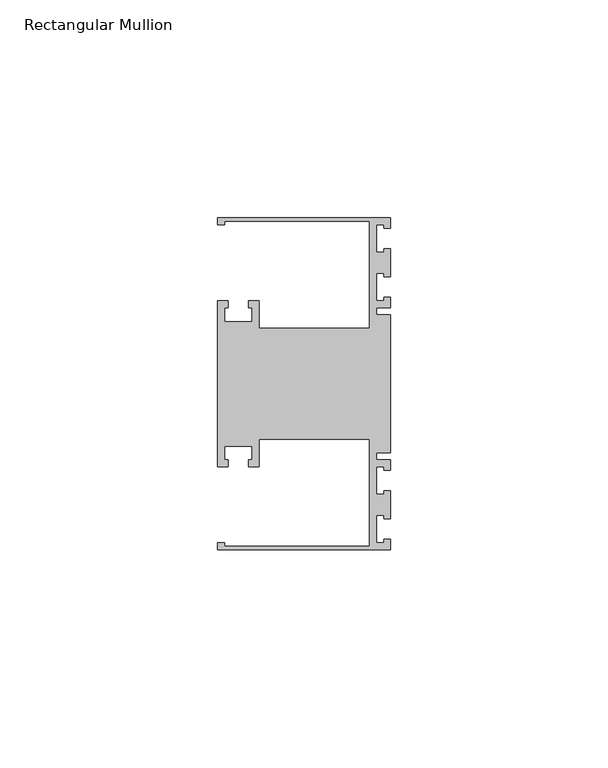
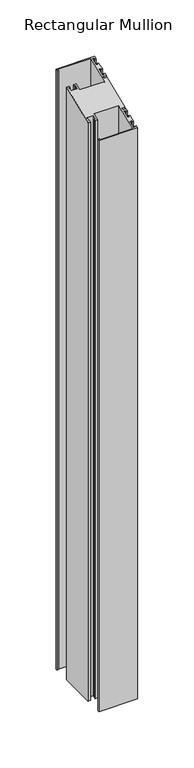
"""IFC4 building model written with IfcOpenShell, lengths in millimetres: member geometry, Rectangular Mullion."""

from ifc_helpers import new_model, si_unit, origin, place, context, project, spatial, faceted_brep, source, transform, mapped, element, save


def rectangular_mullion_6e3f08bd(model_context):
    return source(origin(), model_context, "Body", "Brep", [
        faceted_brep([(0.0, -38.1, -635.0), (-39.6875, -38.1, -635.0), (-39.6875, -36.5125, -635.0), (-38.1, -36.5125, -635.0), (-38.1, -37.30625, -635.0), (-4.8585733, -37.30625, -635.0), (-4.8585733, -12.6999969, -635.0), (-30.1625, -12.6999969, -635.0), (-30.1625, -19.05, -635.0), (-32.54375, -19.05, -635.0), (-32.54375, -17.4625, -635.0), (-31.75, -17.4625, -635.0), (-31.75, -14.2875, -635.0), (-38.1, -14.2875, -635.0), (-38.1, -17.4625, -635.0), (-37.30625, -17.4625, -635.0), (-37.30625, -19.05, -635.0), (-39.6875, -19.05, -635.0), (-39.6875, 19.05, -635.0), (-37.30625, 19.05, -635.0), (-37.30625, 17.4625, -635.0), (-38.1, 17.4625, -635.0), (-38.1, 14.2875, -635.0), (-31.75, 14.2875, -635.0), (-31.75, 17.4625, -635.0), (-32.54375, 17.4625, -635.0), (-32.54375, 19.05, -635.0), (-30.1625, 19.05, -635.0), (-30.1625, 12.6999969, -635.0), (-4.8585733, 12.6999969, -635.0), (-4.8585733, 37.30625, -635.0), (-38.1, 37.30625, -635.0), (-38.1, 36.5125, -635.0), (-39.6875, 36.5125, -635.0), (-39.6875, 38.1, -635.0), (0.0, 38.1, -635.0), (0.0, 35.71875, -635.0), (-1.4999946, 35.71875, -635.0), (-1.4999946, 36.5125, -635.0), (-3.175, 36.5125, -635.0), (-3.175, 30.1625, -635.0), (-1.4999946, 30.1625, -635.0), (-1.4999946, 30.95625, -635.0), (0.0, 30.95625, -635.0), (0.0, 24.60625, -635.0), (-1.4999946, 24.60625, -635.0), (-1.4999946, 25.4, -635.0), (-3.175, 25.4, -635.0), (-3.175, 19.05, -635.0), (-1.4999946, 19.05, -635.0), (-1.4999946, 19.84375, -635.0), (0.0, 19.84375, -635.0), (0.0, 17.4625, -635.0), (-3.175, 17.4625, -635.0), (-3.175, 15.875, -635.0), (0.0, 15.875, -635.0), (0.0, -15.875, -635.0), (-3.175, -15.875, -635.0), (-3.175, -17.4625, -635.0), (0.0, -17.4625, -635.0), (0.0, -19.84375, -635.0), (-1.4999946, -19.84375, -635.0), (-1.4999946, -19.05, -635.0), (-3.175, -19.05, -635.0), (-3.175, -25.4, -635.0), (-1.4999946, -25.4, -635.0), (-1.4999946, -24.60625, -635.0), (0.0, -24.60625, -635.0), (0.0, -30.95625, -635.0), (-1.4999946, -30.95625, -635.0), (-1.4999946, -30.1625, -635.0), (-3.175, -30.1625, -635.0), (-3.175, -36.5125, -635.0), (-1.4999946, -36.5125, -635.0), (-1.4999946, -35.71875, -635.0), (0.0, -35.71875, -635.0), (0.0, -35.71875, -14.7951907), (0.0, -38.1, -15.7815367), (-1.4999946, -35.71875, -14.7951907), (-1.4999946, -36.5125, -15.1239727), (-3.175, -36.5125, -15.1239727), (-3.175, -30.1625, -12.4937166), (-1.4999946, -30.1625, -12.4937166), (-1.4999946, -30.95625, -12.8224986), (0.0, -30.95625, -12.8224986), (0.0, -24.60625, -10.1922425), (-1.4999946, -24.60625, -10.1922425), (-1.4999946, -25.4, -10.5210245), (-3.175, -25.4, -10.5210245), (-3.175, -19.05, -7.8907684), (-1.4999946, -19.05, -7.8907684), (-1.4999946, -19.84375, -8.2195504), (0.0, -19.84375, -8.2195504), (0.0, -17.4625, -7.2332043), (-3.175, -17.4625, -7.2332043), (-3.175, -15.875, -6.5756403), (0.0, -15.875, -6.5756403), (0.0, 15.875, 6.5756403), (-3.175, 15.875, 6.5756403), (-3.175, 17.4625, 7.2332043), (0.0, 17.4625, 7.2332043), (0.0, 19.84375, 8.2195504), (-1.4999946, 19.84375, 8.2195504), (-1.4999946, 19.05, 7.8907684), (-3.175, 19.05, 7.8907684), (-3.175, 25.4, 10.5210245), (-1.4999946, 25.4, 10.5210245), (-1.4999946, 24.60625, 10.1922425), (0.0, 24.60625, 10.1922425), (0.0, 30.95625, 12.8224986), (-1.4999946, 30.95625, 12.8224986), (-1.4999946, 30.1625, 12.4937166), (-3.175, 30.1625, 12.4937166), (-3.175, 36.5125, 15.1239727), (-1.4999946, 36.5125, 15.1239727), (-1.4999946, 35.71875, 14.7951907), (0.0, 35.71875, 14.7951907), (0.0, 38.1, 15.7815367), (-39.6875, 38.1, 15.7815367), (-39.6875, 36.5125, 15.1239727), (-38.1, 36.5125, 15.1239727), (-38.1, 37.30625, 15.4527547), (-4.8585733, 37.30625, 15.4527547), (-4.8585733, 12.6999969, 5.260511), (-30.1625, 12.6999969, 5.260511), (-30.1625, 19.05, 7.8907684), (-32.54375, 19.05, 7.8907684), (-32.54375, 17.4625, 7.2332043), (-31.75, 17.4625, 7.2332043), (-31.75, 14.2875, 5.9180763), (-38.1, 14.2875, 5.9180763), (-38.1, 17.4625, 7.2332043), (-37.30625, 17.4625, 7.2332043), (-37.30625, 19.05, 7.8907684), (-39.6875, 19.05, 7.8907684), (-39.6875, -19.05, -7.8907684), (-37.30625, -19.05, -7.8907684), (-37.30625, -17.4625, -7.2332043), (-38.1, -17.4625, -7.2332043), (-38.1, -14.2875, -5.9180763), (-31.75, -14.2875, -5.9180763), (-31.75, -17.4625, -7.2332043), (-32.54375, -17.4625, -7.2332043), (-32.54375, -19.05, -7.8907684), (-30.1625, -19.05, -7.8907684), (-30.1625, -12.6999969, -5.260511), (-4.8585733, -12.6999969, -5.260511), (-4.8585733, -37.30625, -15.4527547), (-38.1, -37.30625, -15.4527547), (-38.1, -36.5125, -15.1239727), (-39.6875, -36.5125, -15.1239727), (-39.6875, -38.1, -15.7815367)], [[[0, 1, 2, 3, 4, 5, 6, 7, 8, 9, 10, 11, 12, 13, 14, 15, 16, 17, 18, 19, 20, 21, 22, 23, 24, 25, 26, 27, 28, 29, 30, 31, 32, 33, 34, 35, 36, 37, 38, 39, 40, 41, 42, 43, 44, 45, 46, 47, 48, 49, 50, 51, 52, 53, 54, 55, 56, 57, 58, 59, 60, 61, 62, 63, 64, 65, 66, 67, 68, 69, 70, 71, 72, 73, 74, 75]], [[76, 77, 0, 75]], [[78, 76, 75, 74]], [[79, 78, 74, 73]], [[80, 79, 73, 72]], [[81, 80, 72, 71]], [[82, 81, 71, 70]], [[83, 82, 70, 69]], [[84, 83, 69, 68]], [[85, 84, 68, 67]], [[86, 85, 67, 66]], [[87, 86, 66, 65]], [[88, 87, 65, 64]], [[89, 88, 64, 63]], [[90, 89, 63, 62]], [[91, 90, 62, 61]], [[92, 91, 61, 60]], [[93, 92, 60, 59]], [[94, 93, 59, 58]], [[95, 94, 58, 57]], [[96, 95, 57, 56]], [[97, 96, 56, 55]], [[98, 97, 55, 54]], [[99, 98, 54, 53]], [[100, 99, 53, 52]], [[101, 100, 52, 51]], [[102, 101, 51, 50]], [[103, 102, 50, 49]], [[104, 103, 49, 48]], [[105, 104, 48, 47]], [[106, 105, 47, 46]], [[107, 106, 46, 45]], [[108, 107, 45, 44]], [[109, 108, 44, 43]], [[110, 109, 43, 42]], [[111, 110, 42, 41]], [[112, 111, 41, 40]], [[113, 112, 40, 39]], [[114, 113, 39, 38]], [[115, 114, 38, 37]], [[116, 115, 37, 36]], [[117, 116, 36, 35]], [[118, 117, 35, 34]], [[119, 118, 34, 33]], [[120, 119, 33, 32]], [[121, 120, 32, 31]], [[122, 121, 31, 30]], [[123, 122, 30, 29]], [[124, 123, 29, 28]], [[125, 124, 28, 27]], [[126, 125, 27, 26]], [[127, 126, 26, 25]], [[128, 127, 25, 24]], [[129, 128, 24, 23]], [[130, 129, 23, 22]], [[131, 130, 22, 21]], [[132, 131, 21, 20]], [[133, 132, 20, 19]], [[134, 133, 19, 18]], [[135, 134, 18, 17]], [[136, 135, 17, 16]], [[137, 136, 16, 15]], [[138, 137, 15, 14]], [[139, 138, 14, 13]], [[140, 139, 13, 12]], [[141, 140, 12, 11]], [[142, 141, 11, 10]], [[143, 142, 10, 9]], [[144, 143, 9, 8]], [[145, 144, 8, 7]], [[146, 145, 7, 6]], [[147, 146, 6, 5]], [[148, 147, 5, 4]], [[149, 148, 4, 3]], [[150, 149, 3, 2]], [[151, 150, 2, 1]], [[77, 151, 1, 0]], [[77, 76, 78, 79, 80, 81, 82, 83, 84, 85, 86, 87, 88, 89, 90, 91, 92, 93, 94, 95, 96, 97, 98, 99, 100, 101, 102, 103, 104, 105, 106, 107, 108, 109, 110, 111, 112, 113, 114, 115, 116, 117, 118, 119, 120, 121, 122, 123, 124, 125, 126, 127, 128, 129, 130, 131, 132, 133, 134, 135, 136, 137, 138, 139, 140, 141, 142, 143, 144, 145, 146, 147, 148, 149, 150, 151]]]),
    ])


if __name__ == "__main__":
    model = new_model("IFC4")
    model_context = context("Model", 3, world=origin())
    ifc_project = project(units=[si_unit("LENGTHUNIT", "METRE", prefix="MILLI")], contexts=[model_context])
    site = spatial("IfcSite", under=ifc_project)
    building = spatial("IfcBuilding", under=site)
    placement = place(None, origin())
    rectangular_mullion_shape = rectangular_mullion_6e3f08bd(model_context)
    element("IfcMember", 1, ObjectType="Rectangular Mullion", at=placement, inside=building, context=model_context, shape_type="MappedRepresentation", body=[
        mapped(rectangular_mullion_shape, transform((0.0, 0.0, 0.0), x_axis=(1.0, 0.0, 0.0), y_axis=(0.0, 1.0, 0.0), z_axis=(0.0, 0.0, 1.0))),
    ])
    save(model, "model.ifc")
